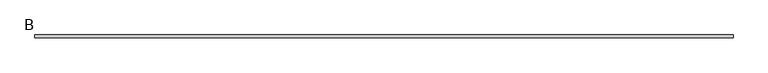
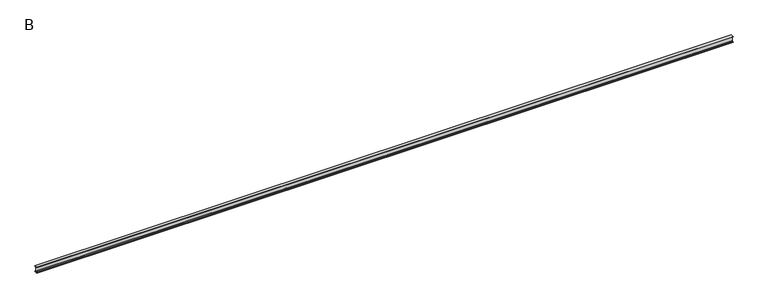
"""IFC4 building model written with IfcOpenShell, lengths in millimetres: beam geometry, B."""

from ifc_helpers import new_model, si_unit, point, frame, frame_2d, origin, place, context, project, spatial, polyline, circle_curve, trimmed, segment, composite_curve, outline, extrude, source, transform, mapped, element, save


def b_8be6cc33(model_context):
    return source(origin(), model_context, "Body", "SweptSolid", [
        extrude(outline(composite_curve([segment(polyline([(25.0, 50.0), (25.0, 48.5034153)]), True, "CONTINUOUS"), segment(trimmed(circle_curve(frame_2d((20.5, 48.5034153)), 4.5), [point((25.0, 48.5034153))], [point((21.126279, 44.047209))], False, "CARTESIAN"), True, "CONTINUOUS"), segment(polyline([(21.126279, 44.047209), (10.0974421, 42.497207)]), True, "CONTINUOUS"), segment(trimmed(circle_curve(frame_2d((11.35, 33.5847944)), 9.0), [point((10.0974421, 42.497207))], [point((2.35, 33.5847944))], True, "CARTESIAN"), True, "CONTINUOUS"), segment(polyline([(2.35, 33.5847944), (2.35, -33.5847944)]), True, "CONTINUOUS"), segment(trimmed(circle_curve(frame_2d((11.35, -33.5847944)), 9.0), [point((2.35, -33.5847944))], [point((10.0974421, -42.497207))], True, "CARTESIAN"), True, "CONTINUOUS"), segment(polyline([(10.0974421, -42.497207), (21.126279, -44.047209)]), True, "CONTINUOUS"), segment(trimmed(circle_curve(frame_2d((20.5, -48.5034153)), 4.5), [point((21.126279, -44.047209))], [point((25.0, -48.5034153))], False, "CARTESIAN"), True, "CONTINUOUS"), segment(polyline([(25.0, -48.5034153), (25.0, -50.0), (-25.0, -50.0), (-25.0, -48.5034153)]), True, "CONTINUOUS"), segment(trimmed(circle_curve(frame_2d((-20.5, -48.5034153)), 4.5), [point((-25.0, -48.5034153))], [point((-21.126279, -44.047209))], False, "CARTESIAN"), True, "CONTINUOUS"), segment(polyline([(-21.126279, -44.047209), (-10.0974421, -42.497207)]), True, "CONTINUOUS"), segment(trimmed(circle_curve(frame_2d((-11.35, -33.5847944)), 9.0), [point((-10.0974421, -42.497207))], [point((-2.35, -33.5847944))], True, "CARTESIAN"), True, "CONTINUOUS"), segment(polyline([(-2.35, -33.5847944), (-2.35, 33.5847944)]), True, "CONTINUOUS"), segment(trimmed(circle_curve(frame_2d((-11.35, 33.5847944)), 9.0), [point((-2.35, 33.5847944))], [point((-10.0974421, 42.497207))], True, "CARTESIAN"), True, "CONTINUOUS"), segment(polyline([(-10.0974421, 42.497207), (-21.126279, 44.047209)]), True, "CONTINUOUS"), segment(trimmed(circle_curve(frame_2d((-20.5, 48.5034153)), 4.5), [point((-21.126279, 44.047209))], [point((-25.0, 48.5034153))], False, "CARTESIAN"), True, "CONTINUOUS"), segment(polyline([(-25.0, 48.5034153), (-25.0, 50.0), (25.0, 50.0)]), True, "CONTINUOUS")], self_intersect=False)), frame((-5696.8, 0.0, 0.0), z_axis=(1.0, 0.0, 0.0), x_axis=(0.0, 1.0, 0.0)), (0.0, 0.0, 1.0), 11453.6),
    ])


if __name__ == "__main__":
    model = new_model("IFC4")
    model_context = context("Model", 3, world=origin())
    ifc_project = project(units=[si_unit("LENGTHUNIT", "METRE", prefix="MILLI")], contexts=[model_context])
    site = spatial("IfcSite", under=ifc_project)
    building = spatial("IfcBuilding", under=site)
    placement = place(None, origin())
    b_shape = b_8be6cc33(model_context)
    element("IfcBeam", 1, ObjectType="B", at=placement, inside=building, context=model_context, shape_type="MappedRepresentation", body=[
        mapped(b_shape, transform((0.0, 0.0, 0.0), x_axis=(1.0, 0.0, 0.0), y_axis=(0.0, 1.0, 0.0), z_axis=(0.0, 0.0, 1.0))),
    ])
    save(model, "model.ifc")
